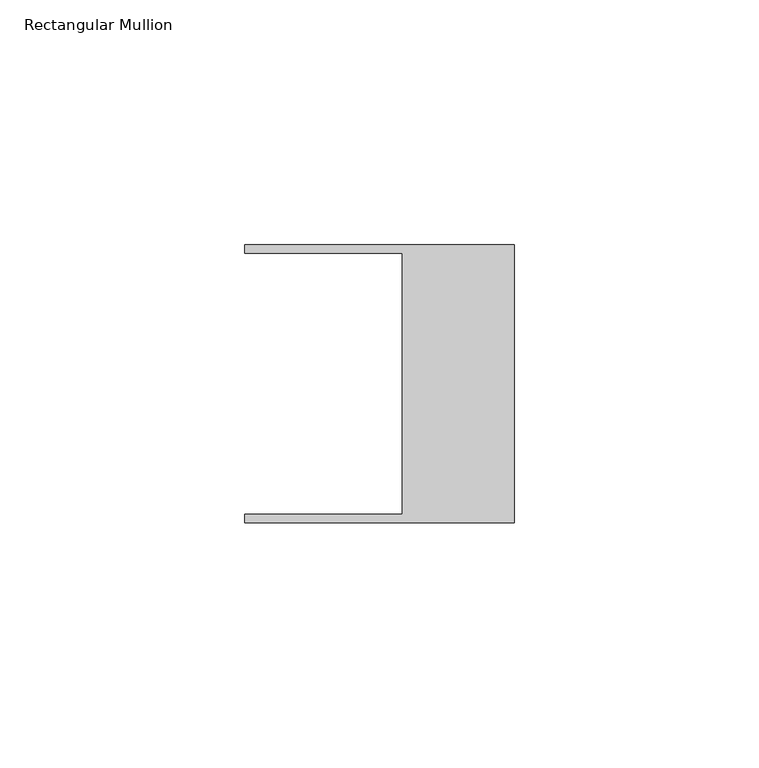
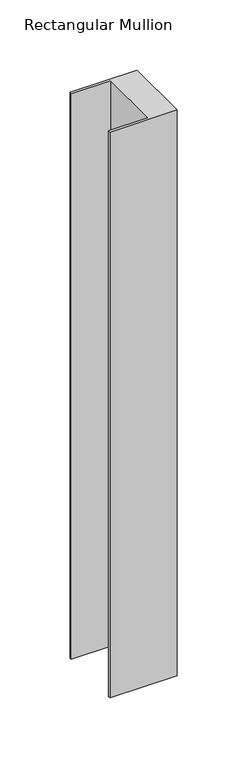
"""IFC4 building model written with IfcOpenShell, lengths in millimetres: member geometry, Rectangular Mullion."""

from ifc_helpers import new_model, si_unit, frame, origin, place, context, project, spatial, polyline, outline, extrude, source, transform, mapped, element, save


def rectangular_mullion_4c181e42(model_context):
    return source(origin(), model_context, "Body", "SweptSolid", [
        extrude(outline(polyline([(-55.118, 26.67), (-55.118, 28.448), (0.0, 28.448), (0.0, -28.448), (-55.118, -28.448), (-55.118, -26.67), (-22.86, -26.67), (-22.86, 26.67), (-55.118, 26.67)])), frame((0.0, 0.0, -491.7929338), z_axis=(0.0, 0.0, 1.0), x_axis=(1.0, 0.0, 0.0)), (0.0, 0.0, 1.0), 491.7929338),
    ])


if __name__ == "__main__":
    model = new_model("IFC4")
    model_context = context("Model", 3, world=origin())
    ifc_project = project(units=[si_unit("LENGTHUNIT", "METRE", prefix="MILLI")], contexts=[model_context])
    site = spatial("IfcSite", under=ifc_project)
    building = spatial("IfcBuilding", under=site)
    placement = place(None, origin())
    rectangular_mullion_shape = rectangular_mullion_4c181e42(model_context)
    element("IfcMember", 1, ObjectType="Rectangular Mullion", at=placement, inside=building, context=model_context, shape_type="MappedRepresentation", body=[
        mapped(rectangular_mullion_shape, transform((0.0, 0.0, 0.0), x_axis=(1.0, 0.0, 0.0), y_axis=(0.0, 1.0, 0.0), z_axis=(0.0, 0.0, 1.0))),
    ])
    save(model, "model.ifc")
